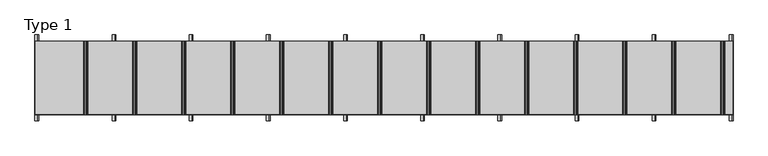
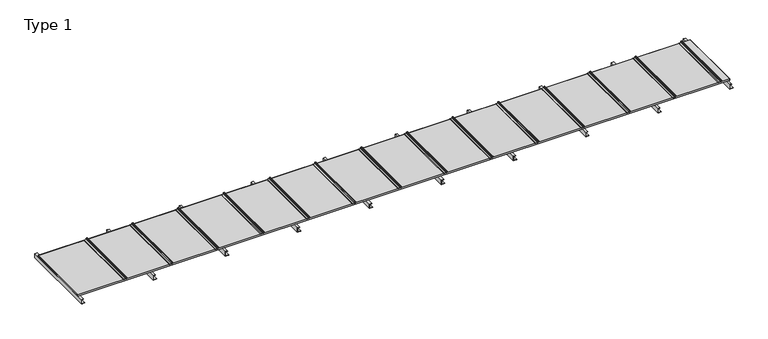
"""IFC4 building model written with IfcOpenShell, lengths in millimetres: proxy geometry, Type 1."""

from ifc_helpers import new_model, si_unit, point, frame, frame_2d, origin, place, context, project, spatial, polyline, circle_curve, trimmed, segment, composite_curve, outline, extrude, source, transform, mapped, element, save


def type_1_cdc988c8(model_context):
    return source(origin(), model_context, "Body", "SweptSolid", [
        extrude(outline(composite_curve([segment(trimmed(circle_curve(frame_2d((60.9683907, 5623.75)), 6.25), [point((65.8614305, 5619.8614704))], [point((58.2402402, 5618.1268608))], False, "CARTESIAN"), True, "CONTINUOUS"), segment(trimmed(circle_curve(frame_2d((57.3468026, 5616.2853478)), 2.0468026), [point((58.2402402, 5618.1268608))], [point((55.3, 5616.2853478))], True, "CARTESIAN"), True, "CONTINUOUS"), segment(polyline([(55.3, 5616.2853478), (55.3, 5601.5)]), True, "CONTINUOUS"), segment(trimmed(circle_curve(frame_2d((53.8, 5601.5)), 1.5), [point((55.3, 5601.5))], [point((53.8, 5600.0))], False, "CARTESIAN"), True, "CONTINUOUS"), segment(polyline([(53.8, 5600.0), (53.0, 5600.0), (53.0, 5621.9783691)]), True, "CONTINUOUS"), segment(trimmed(circle_curve(frame_2d((62.084859, 5621.098018)), 9.1274138), [point((53.0, 5621.9783691))], [point((58.5433217, 5629.510342))], False, "CARTESIAN"), True, "CONTINUOUS"), segment(trimmed(circle_curve(frame_2d((60.9683907, 5623.75)), 6.25), [point((58.5433217, 5629.510342))], [point((65.8614305, 5627.6385296))], False, "CARTESIAN"), True, "CONTINUOUS"), segment(trimmed(circle_curve(frame_2d((65.2653483, 5627.1648193)), 0.7613904), [point((65.8614305, 5627.6385296))], [point((64.7916381, 5626.5687372))], False, "CARTESIAN"), True, "CONTINUOUS"), segment(trimmed(circle_curve(frame_2d((60.9683907, 5623.75)), 4.75), [point((64.7916381, 5626.5687372))], [point((64.7916381, 5620.9312628))], True, "CARTESIAN"), True, "CONTINUOUS"), segment(trimmed(circle_curve(frame_2d((65.2653483, 5620.3351807)), 0.7613904), [point((64.7916381, 5620.9312628))], [point((65.8614305, 5619.8614704))], False, "CARTESIAN"), True, "CONTINUOUS")], self_intersect=False)), frame((0.0, -600.0, 0.0), z_axis=(0.0, 1.0, 0.0), x_axis=(0.0, 0.0, 1.0)), (0.0, 0.0, 1.0), 600.0),
        extrude(outline(polyline([(0.0, 4440.0), (2.0, 4440.0), (2.0, 4412.0), (38.0, 4412.0), (38.0, 4430.0), (40.0, 4430.0), (40.0, 4410.0), (0.0, 4410.0), (0.0, 4440.0)])), frame((0.0, -650.0, 0.0), z_axis=(0.0, 1.0, 0.0), x_axis=(0.0, 0.0, 1.0)), (0.0, 0.0, 1.0), 700.0),
        extrude(outline(polyline([(0.0, 3810.0), (2.0, 3810.0), (2.0, 3782.0), (38.0, 3782.0), (38.0, 3800.0), (40.0, 3800.0), (40.0, 3780.0), (0.0, 3780.0), (0.0, 3810.0)])), frame((0.0, -650.0, 0.0), z_axis=(0.0, 1.0, 0.0), x_axis=(0.0, 0.0, 1.0)), (0.0, 0.0, 1.0), 700.0),
        extrude(outline(polyline([(0.0, 3180.0), (2.0, 3180.0), (2.0, 3152.0), (38.0, 3152.0), (38.0, 3170.0), (40.0, 3170.0), (40.0, 3150.0), (0.0, 3150.0), (0.0, 3180.0)])), frame((0.0, -650.0, 0.0), z_axis=(0.0, 1.0, 0.0), x_axis=(0.0, 0.0, 1.0)), (0.0, 0.0, 1.0), 700.0),
        extrude(outline(polyline([(0.0, 2550.0), (2.0, 2550.0), (2.0, 2522.0), (38.0, 2522.0), (38.0, 2540.0), (40.0, 2540.0), (40.0, 2520.0), (0.0, 2520.0), (0.0, 2550.0)])), frame((0.0, -650.0, 0.0), z_axis=(0.0, 1.0, 0.0), x_axis=(0.0, 0.0, 1.0)), (0.0, 0.0, 1.0), 700.0),
        extrude(outline(polyline([(0.0, 1920.0), (2.0, 1920.0), (2.0, 1892.0), (38.0, 1892.0), (38.0, 1910.0), (40.0, 1910.0), (40.0, 1890.0), (0.0, 1890.0), (0.0, 1920.0)])), frame((0.0, -650.0, 0.0), z_axis=(0.0, 1.0, 0.0), x_axis=(0.0, 0.0, 1.0)), (0.0, 0.0, 1.0), 700.0),
        extrude(outline(polyline([(0.0, 1290.0), (2.0, 1290.0), (2.0, 1262.0), (38.0, 1262.0), (38.0, 1280.0), (40.0, 1280.0), (40.0, 1260.0), (0.0, 1260.0), (0.0, 1290.0)])), frame((0.0, -650.0, 0.0), z_axis=(0.0, 1.0, 0.0), x_axis=(0.0, 0.0, 1.0)), (0.0, 0.0, 1.0), 700.0),
        extrude(outline(composite_curve([segment(trimmed(circle_curve(frame_2d((60.9683907, 5223.75)), 6.25), [point((65.8614305, 5219.8614704))], [point((58.2402402, 5218.1268608))], False, "CARTESIAN"), True, "CONTINUOUS"), segment(trimmed(circle_curve(frame_2d((57.3468026, 5216.2853478)), 2.0468026), [point((58.2402402, 5218.1268608))], [point((55.3, 5216.2853478))], True, "CARTESIAN"), True, "CONTINUOUS"), segment(polyline([(55.3, 5216.2853478), (55.3, 5201.5)]), True, "CONTINUOUS"), segment(trimmed(circle_curve(frame_2d((53.8, 5201.5)), 1.5), [point((55.3, 5201.5))], [point((53.8, 5200.0))], False, "CARTESIAN"), True, "CONTINUOUS"), segment(polyline([(53.8, 5200.0), (53.0, 5200.0), (53.0, 5221.9783691)]), True, "CONTINUOUS"), segment(trimmed(circle_curve(frame_2d((62.084859, 5221.098018)), 9.1274138), [point((53.0, 5221.9783691))], [point((58.5433217, 5229.510342))], False, "CARTESIAN"), True, "CONTINUOUS"), segment(trimmed(circle_curve(frame_2d((60.9683907, 5223.75)), 6.25), [point((58.5433217, 5229.510342))], [point((65.8614305, 5227.6385296))], False, "CARTESIAN"), True, "CONTINUOUS"), segment(trimmed(circle_curve(frame_2d((65.2653483, 5227.1648193)), 0.7613904), [point((65.8614305, 5227.6385296))], [point((64.7916381, 5226.5687372))], False, "CARTESIAN"), True, "CONTINUOUS"), segment(trimmed(circle_curve(frame_2d((60.9683907, 5223.75)), 4.75), [point((64.7916381, 5226.5687372))], [point((64.7916381, 5220.9312628))], True, "CARTESIAN"), True, "CONTINUOUS"), segment(trimmed(circle_curve(frame_2d((65.2653483, 5220.3351807)), 0.7613904), [point((64.7916381, 5220.9312628))], [point((65.8614305, 5219.8614704))], False, "CARTESIAN"), True, "CONTINUOUS")], self_intersect=False)), frame((0.0, -600.0, 0.0), z_axis=(0.0, 1.0, 0.0), x_axis=(0.0, 0.0, 1.0)), (0.0, 0.0, 1.0), 600.0),
        extrude(outline(composite_curve([segment(trimmed(circle_curve(frame_2d((60.9683907, 4823.75)), 6.25), [point((65.8614305, 4819.8614704))], [point((58.2402402, 4818.1268608))], False, "CARTESIAN"), True, "CONTINUOUS"), segment(trimmed(circle_curve(frame_2d((57.3468026, 4816.2853478)), 2.0468026), [point((58.2402402, 4818.1268608))], [point((55.3, 4816.2853478))], True, "CARTESIAN"), True, "CONTINUOUS"), segment(polyline([(55.3, 4816.2853478), (55.3, 4801.5)]), True, "CONTINUOUS"), segment(trimmed(circle_curve(frame_2d((53.8, 4801.5)), 1.5), [point((55.3, 4801.5))], [point((53.8, 4800.0))], False, "CARTESIAN"), True, "CONTINUOUS"), segment(polyline([(53.8, 4800.0), (53.0, 4800.0), (53.0, 4821.9783691)]), True, "CONTINUOUS"), segment(trimmed(circle_curve(frame_2d((62.084859, 4821.098018)), 9.1274138), [point((53.0, 4821.9783691))], [point((58.5433217, 4829.510342))], False, "CARTESIAN"), True, "CONTINUOUS"), segment(trimmed(circle_curve(frame_2d((60.9683907, 4823.75)), 6.25), [point((58.5433217, 4829.510342))], [point((65.8614305, 4827.6385296))], False, "CARTESIAN"), True, "CONTINUOUS"), segment(trimmed(circle_curve(frame_2d((65.2653483, 4827.1648193)), 0.7613904), [point((65.8614305, 4827.6385296))], [point((64.7916381, 4826.5687372))], False, "CARTESIAN"), True, "CONTINUOUS"), segment(trimmed(circle_curve(frame_2d((60.9683907, 4823.75)), 4.75), [point((64.7916381, 4826.5687372))], [point((64.7916381, 4820.9312628))], True, "CARTESIAN"), True, "CONTINUOUS"), segment(trimmed(circle_curve(frame_2d((65.2653483, 4820.3351807)), 0.7613904), [point((64.7916381, 4820.9312628))], [point((65.8614305, 4819.8614704))], False, "CARTESIAN"), True, "CONTINUOUS")], self_intersect=False)), frame((0.0, -600.0, 0.0), z_axis=(0.0, 1.0, 0.0), x_axis=(0.0, 0.0, 1.0)), (0.0, 0.0, 1.0), 600.0),
        extrude(outline(composite_curve([segment(trimmed(circle_curve(frame_2d((60.9683907, 4423.75)), 6.25), [point((65.8614305, 4419.8614704))], [point((58.2402402, 4418.1268608))], False, "CARTESIAN"), True, "CONTINUOUS"), segment(trimmed(circle_curve(frame_2d((57.3468026, 4416.2853478)), 2.0468026), [point((58.2402402, 4418.1268608))], [point((55.3, 4416.2853478))], True, "CARTESIAN"), True, "CONTINUOUS"), segment(polyline([(55.3, 4416.2853478), (55.3, 4401.5)]), True, "CONTINUOUS"), segment(trimmed(circle_curve(frame_2d((53.8, 4401.5)), 1.5), [point((55.3, 4401.5))], [point((53.8, 4400.0))], False, "CARTESIAN"), True, "CONTINUOUS"), segment(polyline([(53.8, 4400.0), (53.0, 4400.0), (53.0, 4421.9783691)]), True, "CONTINUOUS"), segment(trimmed(circle_curve(frame_2d((62.084859, 4421.098018)), 9.1274138), [point((53.0, 4421.9783691))], [point((58.5433217, 4429.510342))], False, "CARTESIAN"), True, "CONTINUOUS"), segment(trimmed(circle_curve(frame_2d((60.9683907, 4423.75)), 6.25), [point((58.5433217, 4429.510342))], [point((65.8614305, 4427.6385296))], False, "CARTESIAN"), True, "CONTINUOUS"), segment(trimmed(circle_curve(frame_2d((65.2653483, 4427.1648193)), 0.7613904), [point((65.8614305, 4427.6385296))], [point((64.7916381, 4426.5687372))], False, "CARTESIAN"), True, "CONTINUOUS"), segment(trimmed(circle_curve(frame_2d((60.9683907, 4423.75)), 4.75), [point((64.7916381, 4426.5687372))], [point((64.7916381, 4420.9312628))], True, "CARTESIAN"), True, "CONTINUOUS"), segment(trimmed(circle_curve(frame_2d((65.2653483, 4420.3351807)), 0.7613904), [point((64.7916381, 4420.9312628))], [point((65.8614305, 4419.8614704))], False, "CARTESIAN"), True, "CONTINUOUS")], self_intersect=False)), frame((0.0, -600.0, 0.0), z_axis=(0.0, 1.0, 0.0), x_axis=(0.0, 0.0, 1.0)), (0.0, 0.0, 1.0), 600.0),
        extrude(outline(composite_curve([segment(trimmed(circle_curve(frame_2d((60.9683907, 4023.75)), 6.25), [point((65.8614305, 4019.8614704))], [point((58.2402402, 4018.1268608))], False, "CARTESIAN"), True, "CONTINUOUS"), segment(trimmed(circle_curve(frame_2d((57.3468026, 4016.2853478)), 2.0468026), [point((58.2402402, 4018.1268608))], [point((55.3, 4016.2853478))], True, "CARTESIAN"), True, "CONTINUOUS"), segment(polyline([(55.3, 4016.2853478), (55.3, 4001.5)]), True, "CONTINUOUS"), segment(trimmed(circle_curve(frame_2d((53.8, 4001.5)), 1.5), [point((55.3, 4001.5))], [point((53.8, 4000.0))], False, "CARTESIAN"), True, "CONTINUOUS"), segment(polyline([(53.8, 4000.0), (53.0, 4000.0), (53.0, 4021.9783691)]), True, "CONTINUOUS"), segment(trimmed(circle_curve(frame_2d((62.084859, 4021.098018)), 9.1274138), [point((53.0, 4021.9783691))], [point((58.5433217, 4029.510342))], False, "CARTESIAN"), True, "CONTINUOUS"), segment(trimmed(circle_curve(frame_2d((60.9683907, 4023.75)), 6.25), [point((58.5433217, 4029.510342))], [point((65.8614305, 4027.6385296))], False, "CARTESIAN"), True, "CONTINUOUS"), segment(trimmed(circle_curve(frame_2d((65.2653483, 4027.1648193)), 0.7613904), [point((65.8614305, 4027.6385296))], [point((64.7916381, 4026.5687372))], False, "CARTESIAN"), True, "CONTINUOUS"), segment(trimmed(circle_curve(frame_2d((60.9683907, 4023.75)), 4.75), [point((64.7916381, 4026.5687372))], [point((64.7916381, 4020.9312628))], True, "CARTESIAN"), True, "CONTINUOUS"), segment(trimmed(circle_curve(frame_2d((65.2653483, 4020.3351807)), 0.7613904), [point((64.7916381, 4020.9312628))], [point((65.8614305, 4019.8614704))], False, "CARTESIAN"), True, "CONTINUOUS")], self_intersect=False)), frame((0.0, -600.0, 0.0), z_axis=(0.0, 1.0, 0.0), x_axis=(0.0, 0.0, 1.0)), (0.0, 0.0, 1.0), 600.0),
        extrude(outline(composite_curve([segment(trimmed(circle_curve(frame_2d((60.9683907, 3623.75)), 6.25), [point((65.8614305, 3619.8614704))], [point((58.2402402, 3618.1268608))], False, "CARTESIAN"), True, "CONTINUOUS"), segment(trimmed(circle_curve(frame_2d((57.3468026, 3616.2853478)), 2.0468026), [point((58.2402402, 3618.1268608))], [point((55.3, 3616.2853478))], True, "CARTESIAN"), True, "CONTINUOUS"), segment(polyline([(55.3, 3616.2853478), (55.3, 3601.5)]), True, "CONTINUOUS"), segment(trimmed(circle_curve(frame_2d((53.8, 3601.5)), 1.5), [point((55.3, 3601.5))], [point((53.8, 3600.0))], False, "CARTESIAN"), True, "CONTINUOUS"), segment(polyline([(53.8, 3600.0), (53.0, 3600.0), (53.0, 3621.9783691)]), True, "CONTINUOUS"), segment(trimmed(circle_curve(frame_2d((62.084859, 3621.098018)), 9.1274138), [point((53.0, 3621.9783691))], [point((58.5433217, 3629.510342))], False, "CARTESIAN"), True, "CONTINUOUS"), segment(trimmed(circle_curve(frame_2d((60.9683907, 3623.75)), 6.25), [point((58.5433217, 3629.510342))], [point((65.8614305, 3627.6385296))], False, "CARTESIAN"), True, "CONTINUOUS"), segment(trimmed(circle_curve(frame_2d((65.2653483, 3627.1648193)), 0.7613904), [point((65.8614305, 3627.6385296))], [point((64.7916381, 3626.5687372))], False, "CARTESIAN"), True, "CONTINUOUS"), segment(trimmed(circle_curve(frame_2d((60.9683907, 3623.75)), 4.75), [point((64.7916381, 3626.5687372))], [point((64.7916381, 3620.9312628))], True, "CARTESIAN"), True, "CONTINUOUS"), segment(trimmed(circle_curve(frame_2d((65.2653483, 3620.3351807)), 0.7613904), [point((64.7916381, 3620.9312628))], [point((65.8614305, 3619.8614704))], False, "CARTESIAN"), True, "CONTINUOUS")], self_intersect=False)), frame((0.0, -600.0, 0.0), z_axis=(0.0, 1.0, 0.0), x_axis=(0.0, 0.0, 1.0)), (0.0, 0.0, 1.0), 600.0),
        extrude(outline(composite_curve([segment(trimmed(circle_curve(frame_2d((60.9683907, 3223.75)), 6.25), [point((65.8614305, 3219.8614704))], [point((58.2402402, 3218.1268608))], False, "CARTESIAN"), True, "CONTINUOUS"), segment(trimmed(circle_curve(frame_2d((57.3468026, 3216.2853478)), 2.0468026), [point((58.2402402, 3218.1268608))], [point((55.3, 3216.2853478))], True, "CARTESIAN"), True, "CONTINUOUS"), segment(polyline([(55.3, 3216.2853478), (55.3, 3201.5)]), True, "CONTINUOUS"), segment(trimmed(circle_curve(frame_2d((53.8, 3201.5)), 1.5), [point((55.3, 3201.5))], [point((53.8, 3200.0))], False, "CARTESIAN"), True, "CONTINUOUS"), segment(polyline([(53.8, 3200.0), (53.0, 3200.0), (53.0, 3221.9783691)]), True, "CONTINUOUS"), segment(trimmed(circle_curve(frame_2d((62.084859, 3221.098018)), 9.1274138), [point((53.0, 3221.9783691))], [point((58.5433217, 3229.510342))], False, "CARTESIAN"), True, "CONTINUOUS"), segment(trimmed(circle_curve(frame_2d((60.9683907, 3223.75)), 6.25), [point((58.5433217, 3229.510342))], [point((65.8614305, 3227.6385296))], False, "CARTESIAN"), True, "CONTINUOUS"), segment(trimmed(circle_curve(frame_2d((65.2653483, 3227.1648193)), 0.7613904), [point((65.8614305, 3227.6385296))], [point((64.7916381, 3226.5687372))], False, "CARTESIAN"), True, "CONTINUOUS"), segment(trimmed(circle_curve(frame_2d((60.9683907, 3223.75)), 4.75), [point((64.7916381, 3226.5687372))], [point((64.7916381, 3220.9312628))], True, "CARTESIAN"), True, "CONTINUOUS"), segment(trimmed(circle_curve(frame_2d((65.2653483, 3220.3351807)), 0.7613904), [point((64.7916381, 3220.9312628))], [point((65.8614305, 3219.8614704))], False, "CARTESIAN"), True, "CONTINUOUS")], self_intersect=False)), frame((0.0, -600.0, 0.0), z_axis=(0.0, 1.0, 0.0), x_axis=(0.0, 0.0, 1.0)), (0.0, 0.0, 1.0), 600.0),
        extrude(outline(composite_curve([segment(trimmed(circle_curve(frame_2d((60.9683907, 2823.75)), 6.25), [point((65.8614305, 2819.8614704))], [point((58.2402402, 2818.1268608))], False, "CARTESIAN"), True, "CONTINUOUS"), segment(trimmed(circle_curve(frame_2d((57.3468026, 2816.2853478)), 2.0468026), [point((58.2402402, 2818.1268608))], [point((55.3, 2816.2853478))], True, "CARTESIAN"), True, "CONTINUOUS"), segment(polyline([(55.3, 2816.2853478), (55.3, 2801.5)]), True, "CONTINUOUS"), segment(trimmed(circle_curve(frame_2d((53.8, 2801.5)), 1.5), [point((55.3, 2801.5))], [point((53.8, 2800.0))], False, "CARTESIAN"), True, "CONTINUOUS"), segment(polyline([(53.8, 2800.0), (53.0, 2800.0), (53.0, 2821.9783691)]), True, "CONTINUOUS"), segment(trimmed(circle_curve(frame_2d((62.084859, 2821.098018)), 9.1274138), [point((53.0, 2821.9783691))], [point((58.5433217, 2829.510342))], False, "CARTESIAN"), True, "CONTINUOUS"), segment(trimmed(circle_curve(frame_2d((60.9683907, 2823.75)), 6.25), [point((58.5433217, 2829.510342))], [point((65.8614305, 2827.6385296))], False, "CARTESIAN"), True, "CONTINUOUS"), segment(trimmed(circle_curve(frame_2d((65.2653483, 2827.1648193)), 0.7613904), [point((65.8614305, 2827.6385296))], [point((64.7916381, 2826.5687372))], False, "CARTESIAN"), True, "CONTINUOUS"), segment(trimmed(circle_curve(frame_2d((60.9683907, 2823.75)), 4.75), [point((64.7916381, 2826.5687372))], [point((64.7916381, 2820.9312628))], True, "CARTESIAN"), True, "CONTINUOUS"), segment(trimmed(circle_curve(frame_2d((65.2653483, 2820.3351807)), 0.7613904), [point((64.7916381, 2820.9312628))], [point((65.8614305, 2819.8614704))], False, "CARTESIAN"), True, "CONTINUOUS")], self_intersect=False)), frame((0.0, -600.0, 0.0), z_axis=(0.0, 1.0, 0.0), x_axis=(0.0, 0.0, 1.0)), (0.0, 0.0, 1.0), 600.0),
        extrude(outline(composite_curve([segment(trimmed(circle_curve(frame_2d((60.9683907, 2423.75)), 6.25), [point((65.8614305, 2419.8614704))], [point((58.2402402, 2418.1268608))], False, "CARTESIAN"), True, "CONTINUOUS"), segment(trimmed(circle_curve(frame_2d((57.3468026, 2416.2853478)), 2.0468026), [point((58.2402402, 2418.1268608))], [point((55.3, 2416.2853478))], True, "CARTESIAN"), True, "CONTINUOUS"), segment(polyline([(55.3, 2416.2853478), (55.3, 2401.5)]), True, "CONTINUOUS"), segment(trimmed(circle_curve(frame_2d((53.8, 2401.5)), 1.5), [point((55.3, 2401.5))], [point((53.8, 2400.0))], False, "CARTESIAN"), True, "CONTINUOUS"), segment(polyline([(53.8, 2400.0), (53.0, 2400.0), (53.0, 2421.9783691)]), True, "CONTINUOUS"), segment(trimmed(circle_curve(frame_2d((62.084859, 2421.098018)), 9.1274138), [point((53.0, 2421.9783691))], [point((58.5433217, 2429.510342))], False, "CARTESIAN"), True, "CONTINUOUS"), segment(trimmed(circle_curve(frame_2d((60.9683907, 2423.75)), 6.25), [point((58.5433217, 2429.510342))], [point((65.8614305, 2427.6385296))], False, "CARTESIAN"), True, "CONTINUOUS"), segment(trimmed(circle_curve(frame_2d((65.2653483, 2427.1648193)), 0.7613904), [point((65.8614305, 2427.6385296))], [point((64.7916381, 2426.5687372))], False, "CARTESIAN"), True, "CONTINUOUS"), segment(trimmed(circle_curve(frame_2d((60.9683907, 2423.75)), 4.75), [point((64.7916381, 2426.5687372))], [point((64.7916381, 2420.9312628))], True, "CARTESIAN"), True, "CONTINUOUS"), segment(trimmed(circle_curve(frame_2d((65.2653483, 2420.3351807)), 0.7613904), [point((64.7916381, 2420.9312628))], [point((65.8614305, 2419.8614704))], False, "CARTESIAN"), True, "CONTINUOUS")], self_intersect=False)), frame((0.0, -600.0, 0.0), z_axis=(0.0, 1.0, 0.0), x_axis=(0.0, 0.0, 1.0)), (0.0, 0.0, 1.0), 600.0),
        extrude(outline(composite_curve([segment(trimmed(circle_curve(frame_2d((60.9683907, 2023.75)), 6.25), [point((65.8614305, 2019.8614704))], [point((58.2402402, 2018.1268608))], False, "CARTESIAN"), True, "CONTINUOUS"), segment(trimmed(circle_curve(frame_2d((57.3468026, 2016.2853478)), 2.0468026), [point((58.2402402, 2018.1268608))], [point((55.3, 2016.2853478))], True, "CARTESIAN"), True, "CONTINUOUS"), segment(polyline([(55.3, 2016.2853478), (55.3, 2001.5)]), True, "CONTINUOUS"), segment(trimmed(circle_curve(frame_2d((53.8, 2001.5)), 1.5), [point((55.3, 2001.5))], [point((53.8, 2000.0))], False, "CARTESIAN"), True, "CONTINUOUS"), segment(polyline([(53.8, 2000.0), (53.0, 2000.0), (53.0, 2021.9783691)]), True, "CONTINUOUS"), segment(trimmed(circle_curve(frame_2d((62.084859, 2021.098018)), 9.1274138), [point((53.0, 2021.9783691))], [point((58.5433217, 2029.510342))], False, "CARTESIAN"), True, "CONTINUOUS"), segment(trimmed(circle_curve(frame_2d((60.9683907, 2023.75)), 6.25), [point((58.5433217, 2029.510342))], [point((65.8614305, 2027.6385296))], False, "CARTESIAN"), True, "CONTINUOUS"), segment(trimmed(circle_curve(frame_2d((65.2653483, 2027.1648193)), 0.7613904), [point((65.8614305, 2027.6385296))], [point((64.7916381, 2026.5687372))], False, "CARTESIAN"), True, "CONTINUOUS"), segment(trimmed(circle_curve(frame_2d((60.9683907, 2023.75)), 4.75), [point((64.7916381, 2026.5687372))], [point((64.7916381, 2020.9312628))], True, "CARTESIAN"), True, "CONTINUOUS"), segment(trimmed(circle_curve(frame_2d((65.2653483, 2020.3351807)), 0.7613904), [point((64.7916381, 2020.9312628))], [point((65.8614305, 2019.8614704))], False, "CARTESIAN"), True, "CONTINUOUS")], self_intersect=False)), frame((0.0, -600.0, 0.0), z_axis=(0.0, 1.0, 0.0), x_axis=(0.0, 0.0, 1.0)), (0.0, 0.0, 1.0), 600.0),
        extrude(outline(composite_curve([segment(trimmed(circle_curve(frame_2d((60.9683907, 1623.75)), 6.25), [point((65.8614305, 1619.8614704))], [point((58.2402402, 1618.1268608))], False, "CARTESIAN"), True, "CONTINUOUS"), segment(trimmed(circle_curve(frame_2d((57.3468026, 1616.2853478)), 2.0468026), [point((58.2402402, 1618.1268608))], [point((55.3, 1616.2853478))], True, "CARTESIAN"), True, "CONTINUOUS"), segment(polyline([(55.3, 1616.2853478), (55.3, 1601.5)]), True, "CONTINUOUS"), segment(trimmed(circle_curve(frame_2d((53.8, 1601.5)), 1.5), [point((55.3, 1601.5))], [point((53.8, 1600.0))], False, "CARTESIAN"), True, "CONTINUOUS"), segment(polyline([(53.8, 1600.0), (53.0, 1600.0), (53.0, 1621.9783691)]), True, "CONTINUOUS"), segment(trimmed(circle_curve(frame_2d((62.084859, 1621.098018)), 9.1274138), [point((53.0, 1621.9783691))], [point((58.5433217, 1629.510342))], False, "CARTESIAN"), True, "CONTINUOUS"), segment(trimmed(circle_curve(frame_2d((60.9683907, 1623.75)), 6.25), [point((58.5433217, 1629.510342))], [point((65.8614305, 1627.6385296))], False, "CARTESIAN"), True, "CONTINUOUS"), segment(trimmed(circle_curve(frame_2d((65.2653483, 1627.1648193)), 0.7613904), [point((65.8614305, 1627.6385296))], [point((64.7916381, 1626.5687372))], False, "CARTESIAN"), True, "CONTINUOUS"), segment(trimmed(circle_curve(frame_2d((60.9683907, 1623.75)), 4.75), [point((64.7916381, 1626.5687372))], [point((64.7916381, 1620.9312628))], True, "CARTESIAN"), True, "CONTINUOUS"), segment(trimmed(circle_curve(frame_2d((65.2653483, 1620.3351807)), 0.7613904), [point((64.7916381, 1620.9312628))], [point((65.8614305, 1619.8614704))], False, "CARTESIAN"), True, "CONTINUOUS")], self_intersect=False)), frame((0.0, -600.0, 0.0), z_axis=(0.0, 1.0, 0.0), x_axis=(0.0, 0.0, 1.0)), (0.0, 0.0, 1.0), 600.0),
        extrude(outline(composite_curve([segment(trimmed(circle_curve(frame_2d((60.9683907, 1223.75)), 6.25), [point((65.8614305, 1219.8614704))], [point((58.2402402, 1218.1268608))], False, "CARTESIAN"), True, "CONTINUOUS"), segment(trimmed(circle_curve(frame_2d((57.3468026, 1216.2853478)), 2.0468026), [point((58.2402402, 1218.1268608))], [point((55.3, 1216.2853478))], True, "CARTESIAN"), True, "CONTINUOUS"), segment(polyline([(55.3, 1216.2853478), (55.3, 1201.5)]), True, "CONTINUOUS"), segment(trimmed(circle_curve(frame_2d((53.8, 1201.5)), 1.5), [point((55.3, 1201.5))], [point((53.8, 1200.0))], False, "CARTESIAN"), True, "CONTINUOUS"), segment(polyline([(53.8, 1200.0), (53.0, 1200.0), (53.0, 1221.9783691)]), True, "CONTINUOUS"), segment(trimmed(circle_curve(frame_2d((62.084859, 1221.098018)), 9.1274138), [point((53.0, 1221.9783691))], [point((58.5433217, 1229.510342))], False, "CARTESIAN"), True, "CONTINUOUS"), segment(trimmed(circle_curve(frame_2d((60.9683907, 1223.75)), 6.25), [point((58.5433217, 1229.510342))], [point((65.8614305, 1227.6385296))], False, "CARTESIAN"), True, "CONTINUOUS"), segment(trimmed(circle_curve(frame_2d((65.2653483, 1227.1648193)), 0.7613904), [point((65.8614305, 1227.6385296))], [point((64.7916381, 1226.5687372))], False, "CARTESIAN"), True, "CONTINUOUS"), segment(trimmed(circle_curve(frame_2d((60.9683907, 1223.75)), 4.75), [point((64.7916381, 1226.5687372))], [point((64.7916381, 1220.9312628))], True, "CARTESIAN"), True, "CONTINUOUS"), segment(trimmed(circle_curve(frame_2d((65.2653483, 1220.3351807)), 0.7613904), [point((64.7916381, 1220.9312628))], [point((65.8614305, 1219.8614704))], False, "CARTESIAN"), True, "CONTINUOUS")], self_intersect=False)), frame((0.0, -600.0, 0.0), z_axis=(0.0, 1.0, 0.0), x_axis=(0.0, 0.0, 1.0)), (0.0, 0.0, 1.0), 600.0),
        extrude(outline(polyline([(0.0, 5700.0), (2.0, 5700.0), (2.0, 5672.0), (38.0, 5672.0), (38.0, 5690.0), (40.0, 5690.0), (40.0, 5670.0), (0.0, 5670.0), (0.0, 5700.0)])), frame((0.0, -650.0, 0.0), z_axis=(0.0, 1.0, 0.0), x_axis=(0.0, 0.0, 1.0)), (0.0, 0.0, 1.0), 700.0),
        extrude(outline(polyline([(0.0, 30.0), (2.0, 30.0), (2.0, 2.0), (38.0, 2.0), (38.0, 20.0), (40.0, 20.0), (40.0, 0.0), (0.0, 0.0), (0.0, 30.0)])), frame((0.0, -650.0, 0.0), z_axis=(0.0, 1.0, 0.0), x_axis=(0.0, 0.0, 1.0)), (0.0, 0.0, 1.0), 700.0),
        extrude(outline(polyline([(0.0, 5070.0), (2.0, 5070.0), (2.0, 5042.0), (38.0, 5042.0), (38.0, 5060.0), (40.0, 5060.0), (40.0, 5040.0), (0.0, 5040.0), (0.0, 5070.0)])), frame((0.0, -650.0, 0.0), z_axis=(0.0, 1.0, 0.0), x_axis=(0.0, 0.0, 1.0)), (0.0, 0.0, 1.0), 700.0),
        extrude(outline(polyline([(0.0, 660.0), (2.0, 660.0), (2.0, 632.0), (38.0, 632.0), (38.0, 650.0), (40.0, 650.0), (40.0, 630.0), (0.0, 630.0), (0.0, 660.0)])), frame((0.0, -650.0, 0.0), z_axis=(0.0, 1.0, 0.0), x_axis=(0.0, 0.0, 1.0)), (0.0, 0.0, 1.0), 700.0),
        extrude(outline(composite_curve([segment(trimmed(circle_curve(frame_2d((60.9683907, 823.75)), 6.25), [point((65.8614305, 819.8614704))], [point((58.2402402, 818.1268608))], False, "CARTESIAN"), True, "CONTINUOUS"), segment(trimmed(circle_curve(frame_2d((57.3468026, 816.2853478)), 2.0468026), [point((58.2402402, 818.1268608))], [point((55.3, 816.2853478))], True, "CARTESIAN"), True, "CONTINUOUS"), segment(polyline([(55.3, 816.2853478), (55.3, 801.5)]), True, "CONTINUOUS"), segment(trimmed(circle_curve(frame_2d((53.8, 801.5)), 1.5), [point((55.3, 801.5))], [point((53.8, 800.0))], False, "CARTESIAN"), True, "CONTINUOUS"), segment(polyline([(53.8, 800.0), (53.0, 800.0), (53.0, 821.9783691)]), True, "CONTINUOUS"), segment(trimmed(circle_curve(frame_2d((62.084859, 821.098018)), 9.1274138), [point((53.0, 821.9783691))], [point((58.5433217, 829.510342))], False, "CARTESIAN"), True, "CONTINUOUS"), segment(trimmed(circle_curve(frame_2d((60.9683907, 823.75)), 6.25), [point((58.5433217, 829.510342))], [point((65.8614305, 827.6385296))], False, "CARTESIAN"), True, "CONTINUOUS"), segment(trimmed(circle_curve(frame_2d((65.2653483, 827.1648193)), 0.7613904), [point((65.8614305, 827.6385296))], [point((64.7916381, 826.5687372))], False, "CARTESIAN"), True, "CONTINUOUS"), segment(trimmed(circle_curve(frame_2d((60.9683907, 823.75)), 4.75), [point((64.7916381, 826.5687372))], [point((64.7916381, 820.9312628))], True, "CARTESIAN"), True, "CONTINUOUS"), segment(trimmed(circle_curve(frame_2d((65.2653483, 820.3351807)), 0.7613904), [point((64.7916381, 820.9312628))], [point((65.8614305, 819.8614704))], False, "CARTESIAN"), True, "CONTINUOUS")], self_intersect=False)), frame((0.0, -600.0, 0.0), z_axis=(0.0, 1.0, 0.0), x_axis=(0.0, 0.0, 1.0)), (0.0, 0.0, 1.0), 600.0),
        extrude(outline(composite_curve([segment(trimmed(circle_curve(frame_2d((60.9683907, 423.75)), 6.25), [point((65.8614305, 419.8614704))], [point((58.2402402, 418.1268608))], False, "CARTESIAN"), True, "CONTINUOUS"), segment(trimmed(circle_curve(frame_2d((57.3468026, 416.2853478)), 2.0468026), [point((58.2402402, 418.1268608))], [point((55.3, 416.2853478))], True, "CARTESIAN"), True, "CONTINUOUS"), segment(polyline([(55.3, 416.2853478), (55.3, 401.5)]), True, "CONTINUOUS"), segment(trimmed(circle_curve(frame_2d((53.8, 401.5)), 1.5), [point((55.3, 401.5))], [point((53.8, 400.0))], False, "CARTESIAN"), True, "CONTINUOUS"), segment(polyline([(53.8, 400.0), (53.0, 400.0), (53.0, 421.9783691)]), True, "CONTINUOUS"), segment(trimmed(circle_curve(frame_2d((62.084859, 421.098018)), 9.1274138), [point((53.0, 421.9783691))], [point((58.5433217, 429.510342))], False, "CARTESIAN"), True, "CONTINUOUS"), segment(trimmed(circle_curve(frame_2d((60.9683907, 423.75)), 6.25), [point((58.5433217, 429.510342))], [point((65.8614305, 427.6385296))], False, "CARTESIAN"), True, "CONTINUOUS"), segment(trimmed(circle_curve(frame_2d((65.2653483, 427.1648193)), 0.7613904), [point((65.8614305, 427.6385296))], [point((64.7916381, 426.5687372))], False, "CARTESIAN"), True, "CONTINUOUS"), segment(trimmed(circle_curve(frame_2d((60.9683907, 423.75)), 4.75), [point((64.7916381, 426.5687372))], [point((64.7916381, 420.9312628))], True, "CARTESIAN"), True, "CONTINUOUS"), segment(trimmed(circle_curve(frame_2d((65.2653483, 420.3351807)), 0.7613904), [point((64.7916381, 420.9312628))], [point((65.8614305, 419.8614704))], False, "CARTESIAN"), True, "CONTINUOUS")], self_intersect=False)), frame((0.0, -600.0, 0.0), z_axis=(0.0, 1.0, 0.0), x_axis=(0.0, 0.0, 1.0)), (0.0, 0.0, 1.0), 600.0),
        extrude(outline(polyline([(5699.0, -1.0), (5699.0, -599.0), (1.0, -599.0), (1.0, -1.0), (5699.0, -1.0)])), frame((0.0, 0.0, 40.0), z_axis=(0.0, 0.0, 1.0), x_axis=(1.0, 0.0, 0.0)), (0.0, 0.0, 1.0), 13.0),
        extrude(outline(polyline([(5700.0, 0.0), (5700.0, -600.0), (0.0, -600.0), (0.0, 0.0), (5700.0, 0.0)]), holes=[polyline([(5699.0, -1.0), (1.0, -1.0), (1.0, -599.0), (5699.0, -599.0), (5699.0, -1.0)])]), frame((0.0, 0.0, 40.0), z_axis=(0.0, 0.0, 1.0), x_axis=(1.0, 0.0, 0.0)), (0.0, 0.0, 1.0), 13.0),
    ])


if __name__ == "__main__":
    model = new_model("IFC4")
    model_context = context("Model", 3, world=origin())
    ifc_project = project(units=[si_unit("LENGTHUNIT", "METRE", prefix="MILLI")], contexts=[model_context])
    site = spatial("IfcSite", under=ifc_project)
    building = spatial("IfcBuilding", under=site)
    placement = place(None, origin())
    type_1_shape = type_1_cdc988c8(model_context)
    element("IfcBuildingElementProxy", 1, Name="Type 1", ObjectType="Type 1", at=placement, inside=building, context=model_context, shape_type="MappedRepresentation", body=[
        mapped(type_1_shape, transform((0.0, 0.0, 0.0), x_axis=(1.0, 0.0, 0.0), y_axis=(0.0, 1.0, 0.0), z_axis=(0.0, 0.0, 1.0))),
    ])
    save(model, "model.ifc")
